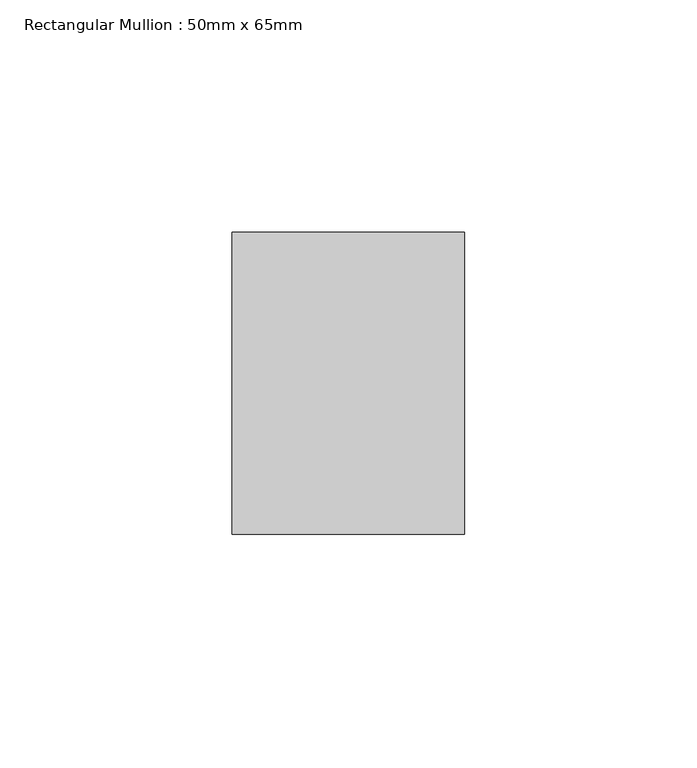
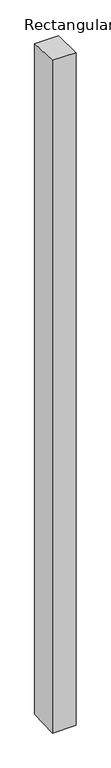
"""IFC4 building model written with IfcOpenShell, lengths in millimetres: member geometry, Rectangular Mullion : 50mm x 65mm."""

from ifc_helpers import new_model, si_unit, origin, place, context, project, spatial, faceted_brep, source, transform, mapped, element, save


def rectangular_mullion_50mm_x_65mm_2fe4e4ef(model_context):
    return source(origin(), model_context, "Body", "Brep", [
        faceted_brep([(-25.0, 32.5, -0.8979626), (25.0, 32.5, -0.8979639), (25.0, 32.5, -1498.8582411), (-25.0, 32.5, -1498.8582427), (-25.0, -32.5, 0.8979639), (-25.0, -32.5, -1501.1421431), (25.0, -32.5, 0.8979626), (25.0, -32.5, -1501.1421414)], [[[0, 1, 2, 3]], [[4, 0, 3, 5]], [[6, 4, 5, 7]], [[1, 6, 7, 2]], [[1, 0, 4, 6]], [[2, 7, 5, 3]]]),
    ])


if __name__ == "__main__":
    model = new_model("IFC4")
    model_context = context("Model", 3, world=origin())
    ifc_project = project(units=[si_unit("LENGTHUNIT", "METRE", prefix="MILLI")], contexts=[model_context])
    site = spatial("IfcSite", under=ifc_project)
    building = spatial("IfcBuilding", under=site)
    placement = place(None, origin())
    rectangular_mullion_50mm_x_65mm_shape = rectangular_mullion_50mm_x_65mm_2fe4e4ef(model_context)
    element("IfcMember", 1, ObjectType="Rectangular Mullion : 50mm x 65mm", at=placement, inside=building, context=model_context, shape_type="MappedRepresentation", body=[
        mapped(rectangular_mullion_50mm_x_65mm_shape, transform((0.0, 0.0, 0.0), x_axis=(1.0, 0.0, 0.0), y_axis=(0.0, 1.0, 0.0), z_axis=(0.0, 0.0, 1.0))),
    ])
    save(model, "model.ifc")
